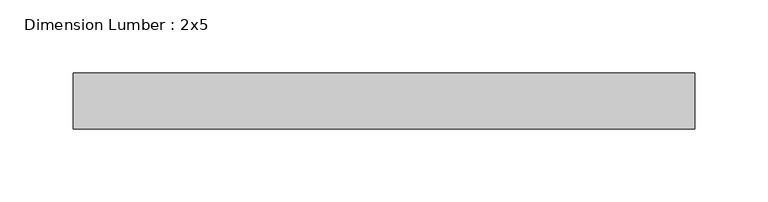
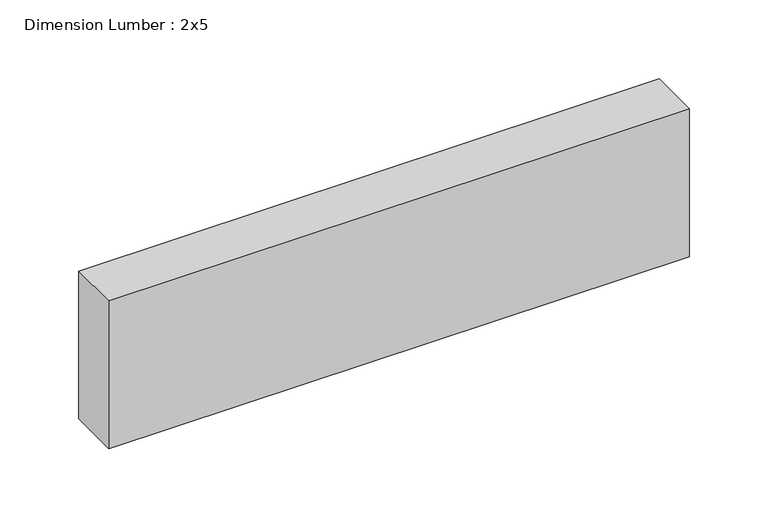
"""IFC4 building model written with IfcOpenShell, lengths in millimetres: beam geometry, Dimension Lumber : 2x5."""

from ifc_helpers import new_model, si_unit, frame, origin, place, context, project, spatial, polyline, outline, extrude, source, transform, mapped, element, save


def dimension_lumber_2x5_94be8d5e(model_context):
    return source(origin(), model_context, "Body", "SweptSolid", [
        extrude(outline(polyline([(212.7421284, 19.05), (212.7421284, -19.05), (-211.6053673, -19.05), (-211.6053673, 19.05), (212.7421284, 19.05)])), frame((0.0, 0.0, -57.15), z_axis=(0.0, 0.0, 1.0), x_axis=(1.0, 0.0, 0.0)), (0.0, 0.0, 1.0), 114.3),
    ])


if __name__ == "__main__":
    model = new_model("IFC4")
    model_context = context("Model", 3, world=origin())
    ifc_project = project(units=[si_unit("LENGTHUNIT", "METRE", prefix="MILLI")], contexts=[model_context])
    site = spatial("IfcSite", under=ifc_project)
    building = spatial("IfcBuilding", under=site)
    placement = place(None, origin())
    dimension_lumber_2x5_shape = dimension_lumber_2x5_94be8d5e(model_context)
    element("IfcBeam", 1, ObjectType="Dimension Lumber : 2x5", at=placement, inside=building, context=model_context, shape_type="MappedRepresentation", body=[
        mapped(dimension_lumber_2x5_shape, transform((0.0, 0.0, 0.0), x_axis=(1.0, 0.0, 0.0), y_axis=(0.0, 1.0, 0.0), z_axis=(0.0, 0.0, 1.0))),
    ])
    save(model, "model.ifc")
